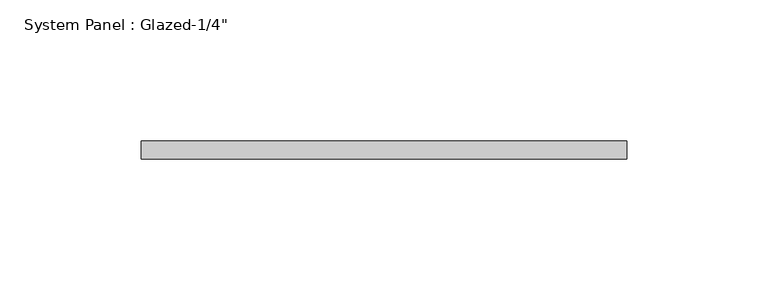
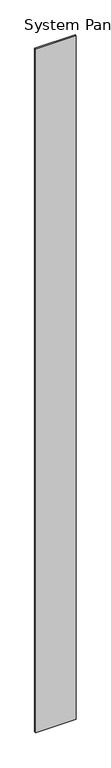
"""IFC4 building model written with IfcOpenShell, lengths in millimetres: plate geometry."""

from ifc_helpers import new_model, si_unit, origin, origin_with_axes, place, context, project, spatial, polyline, outline, extrude, source, transform, mapped, element, save


def plate_5f0de0e7(model_context):
    return source(origin(), model_context, "Body", "SweptSolid", [
        extrude(outline(polyline([(85.725, 25.4), (-85.725, 25.4), (-85.725, 31.75), (85.725, 31.75), (85.725, 25.4)])), origin_with_axes(), (0.0, 0.0, 1.0), 3048.0),
    ])


if __name__ == "__main__":
    model = new_model("IFC4")
    model_context = context("Model", 3, world=origin())
    ifc_project = project(units=[si_unit("LENGTHUNIT", "METRE", prefix="MILLI")], contexts=[model_context])
    site = spatial("IfcSite", under=ifc_project)
    building = spatial("IfcBuilding", under=site)
    placement = place(None, origin())
    plate_shape = plate_5f0de0e7(model_context)
    element("IfcPlate", 1, ObjectType="System Panel : Glazed-1/4\"", at=placement, inside=building, context=model_context, shape_type="MappedRepresentation", body=[
        mapped(plate_shape, transform((0.0, 0.0, 0.0), x_axis=(1.0, 0.0, 0.0), y_axis=(0.0, 1.0, 0.0), z_axis=(0.0, 0.0, 1.0))),
    ])
    save(model, "model.ifc")
